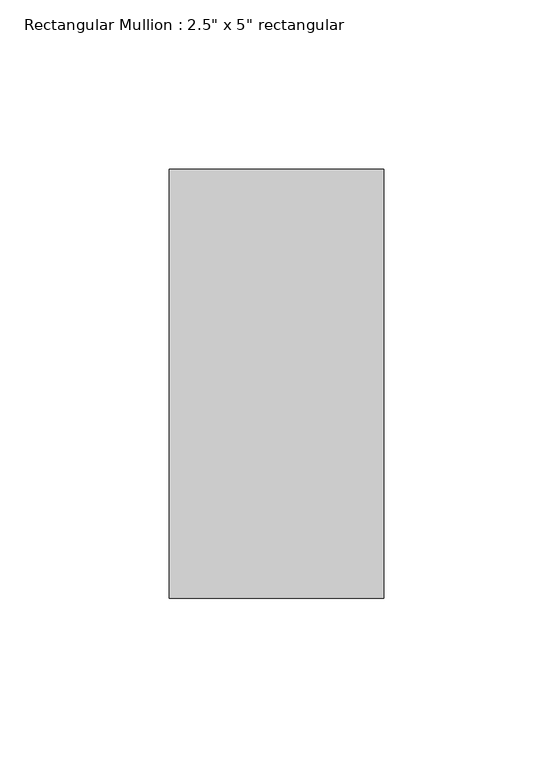
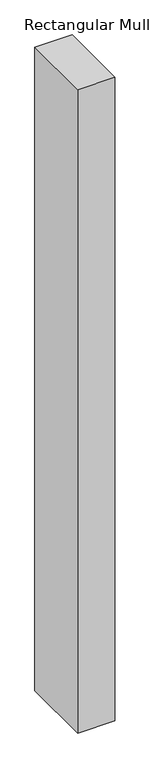
"""IFC4 building model written with IfcOpenShell, lengths in millimetres: member geometry."""

import ifcopenshell
import ifcopenshell.guid

model = None  # the IFC model being written
_history = None  # IfcOwnerHistory: only IFC2X3 demands one
_inside = {}  # id of a spatial element -> (the spatial element, [elements in it])
_under = {}  # id of a project, library or spatial element -> (it, [spatial elements below it])
_declared = {}  # id of a project -> (the project, [libraries it declares])
_typed = {}  # id of a type object -> (the type object, [elements of that type])
_made_of = {}  # id of a material, layer set ... -> (it, [elements and type objects made of it])


def new_model(schema):
    """Start an empty IFC model of exactly this schema.

    Asked for "IFC4X3", IfcOpenShell would pick the latest addendum, in which some entities
    have other attributes; the version numbers below select the first issue.
    IFC2X3 requires an IfcOwnerHistory on every rooted entity: one is made here for all.
    """
    global model, _history
    if schema == "IFC4X3":
        model = ifcopenshell.file(schema_version=(4, 3, 0, 0))
    else:
        model = ifcopenshell.file(schema=schema)
    _inside.clear()
    _under.clear()
    _declared.clear()
    _typed.clear()
    _made_of.clear()
    _history = None
    if model.schema == "IFC2X3":
        org = make("IfcOrganization", Name="unknown")
        user = make(
            "IfcPersonAndOrganization",
            ThePerson=make("IfcPerson", FamilyName="unknown"),
            TheOrganization=org,
        )
        app = make(
            "IfcApplication",
            ApplicationDeveloper=org,
            Version="unknown",
            ApplicationFullName="unknown",
            ApplicationIdentifier="unknown",
        )
        _history = make(
            "IfcOwnerHistory",
            OwningUser=user,
            OwningApplication=app,
            ChangeAction="ADDED",
            CreationDate=0,
        )
    return model


def make(cls, **values):
    """One entity of the class cls with the attributes given. An attribute that is None is left unset."""
    return model.create_entity(
        cls, **{name: value for name, value in values.items() if value is not None}
    )


def rooted(cls, **values):
    """An entity with a GlobalId (a new one), such as an element, a storey or a relation."""
    return make(cls, GlobalId=ifcopenshell.guid.new(), OwnerHistory=_history, **values)


def si_unit(unit_type, name, prefix=None):
    """IfcSIUnit, for example si_unit("LENGTHUNIT", "METRE", prefix="MILLI")."""
    return make("IfcSIUnit", UnitType=unit_type, Prefix=prefix, Name=name)


def assignment(units):
    """IfcUnitAssignment: the units of a project."""
    return None if units is None else make("IfcUnitAssignment", Units=units)


def point(xyz):
    """IfcCartesianPoint."""
    return None if xyz is None else make("IfcCartesianPoint", Coordinates=xyz)


def direction(xyz):
    """IfcDirection."""
    return None if xyz is None else make("IfcDirection", DirectionRatios=xyz)


def frame(location, z_axis=None, x_axis=None):
    """IfcAxis2Placement3D, a coordinate frame: its origin and axes. An axis left out is left unset."""
    return make(
        "IfcAxis2Placement3D",
        Location=point(location),
        Axis=direction(z_axis),
        RefDirection=direction(x_axis),
    )


def origin():
    """The frame at (0, 0, 0) with its axes left unset."""
    return frame((0.0, 0.0, 0.0))


def place(relative_to, where):
    """IfcLocalPlacement: puts the frame where relative to a parent placement (None: the world)."""
    return make(
        "IfcLocalPlacement", PlacementRelTo=relative_to, RelativePlacement=where
    )


def context(
    kind, dimensions, precision=None, world=None, true_north=None, identifier=None
):
    """IfcGeometricRepresentationContext, for example the 3D "Model" context."""
    return make(
        "IfcGeometricRepresentationContext",
        ContextIdentifier=identifier,
        ContextType=kind,
        CoordinateSpaceDimension=dimensions,
        Precision=precision,
        WorldCoordinateSystem=world,
        TrueNorth=true_north,
    )


def project(units=None, contexts=None):
    """IfcProject with its units and contexts."""
    return rooted(
        "IfcProject",
        Name="project",
        RepresentationContexts=contexts,
        UnitsInContext=assignment(units),
    )


def spatial(cls, under=None, at=None, **own):
    """A site, building, storey or space (cls), placed at a placement, below another one or the project."""
    s = rooted(cls, ObjectPlacement=at, **own)
    if under is not None:
        _under.setdefault(under.id(), (under, []))[1].append(s)
    return s


def polyline(points):
    """IfcPolyline through the points."""
    return make("IfcPolyline", Points=[point(p) for p in points])


def outline(outer, holes=None, kind="AREA"):
    """IfcArbitraryClosedProfileDef: a profile drawn as a closed curve; with holes, ...WithVoids."""
    if holes is None:
        return make("IfcArbitraryClosedProfileDef", ProfileType=kind, OuterCurve=outer)
    return make(
        "IfcArbitraryProfileDefWithVoids",
        ProfileType=kind,
        OuterCurve=outer,
        InnerCurves=holes,
    )


def extrude(swept, where, along, depth):
    """IfcExtrudedAreaSolid: the profile swept, set in the frame where, extruded along a direction by depth."""
    return make(
        "IfcExtrudedAreaSolid",
        SweptArea=swept,
        Position=where,
        ExtrudedDirection=direction(along),
        Depth=depth,
    )


def shape(context_of_items, identifier, shape_type, items):
    """IfcShapeRepresentation: the items that make up one representation, for example the "Body"."""
    return make(
        "IfcShapeRepresentation",
        ContextOfItems=context_of_items,
        RepresentationIdentifier=identifier,
        RepresentationType=shape_type,
        Items=items,
    )


def source(mapping_origin, context_of_items, identifier, shape_type, items):
    """IfcRepresentationMap: a shape defined once, which mapped items show again and again."""
    return make(
        "IfcRepresentationMap",
        MappingOrigin=mapping_origin,
        MappedRepresentation=shape(context_of_items, identifier, shape_type, items),
    )


def transform(
    local_origin,
    x_axis=None,
    y_axis=None,
    z_axis=None,
    scale=None,
    scale2=None,
    scale3=None,
    uniform=True,
):
    """IfcCartesianTransformationOperator3D, or its non-uniform kind. x_axis, y_axis, z_axis: its Axis1, 2, 3."""
    if uniform:
        return make(
            "IfcCartesianTransformationOperator3D",
            Axis1=direction(x_axis),
            Axis2=direction(y_axis),
            LocalOrigin=point(local_origin),
            Scale=scale,
            Axis3=direction(z_axis),
        )
    return make(
        "IfcCartesianTransformationOperator3DnonUniform",
        Axis1=direction(x_axis),
        Axis2=direction(y_axis),
        LocalOrigin=point(local_origin),
        Scale=scale,
        Axis3=direction(z_axis),
        Scale2=scale2,
        Scale3=scale3,
    )


def mapped(mapping_source, mapping_target):
    """IfcMappedItem: shows the shape of a source again, moved by a transform."""
    return make(
        "IfcMappedItem", MappingSource=mapping_source, MappingTarget=mapping_target
    )


def made_of(thing, what):
    """Note that an element or type object is made of a material, layer set ...; save() writes the relation."""
    if what is not None:
        _made_of.setdefault(what.id(), (what, []))[1].append(thing)
    return thing


def element(
    cls,
    number,
    at=None,
    inside=None,
    cuts=None,
    type_object=None,
    material=None,
    context=None,
    identifier="Body",
    shape_type=None,
    held_by="IfcProductDefinitionShape",
    body=None,
    shapes=None,
    **own,
):
    """One element of the class cls, such as IfcWall. Its Tag is "e" and its number.

    at: its placement. inside: the storey or other place that contains it. cuts: it is an
    opening in that element (IfcRelVoidsElement). A single representation is given by context,
    identifier, shape_type and body (its items); several are given by shapes. held_by: the class
    of the entity that holds the representations. save() writes the other relations.
    """
    e = rooted(cls, Tag="e%d" % number, ObjectPlacement=at, **own)
    if body is not None:
        shapes = [shape(context, identifier, shape_type, body)]
    if shapes is not None:
        e.Representation = make(held_by, Representations=shapes)
    if inside is not None:
        _inside.setdefault(inside.id(), (inside, []))[1].append(e)
    if cuts is not None:
        rooted(
            "IfcRelVoidsElement", RelatingBuildingElement=cuts, RelatedOpeningElement=e
        )
    if type_object is not None:
        _typed.setdefault(type_object.id(), (type_object, []))[1].append(e)
    return made_of(e, material)


def aggregate(whole, parts):
    """IfcRelAggregates: a whole, such as a stair, and the parts it consists of."""
    return rooted("IfcRelAggregates", RelatingObject=whole, RelatedObjects=parts)


def save(model, path):
    """Write the relations noted so far, then the file.

    IfcRelAggregates (storeys below a building ...), IfcRelContainedInSpatialStructure (elements
    in a storey), IfcRelDefinesByType, IfcRelAssociatesMaterial and IfcRelDeclares: one each for
    every whole, place, type object, material and project.
    """
    for whole, parts in _under.values():
        aggregate(whole, parts)
    for where, things in _inside.values():
        rooted(
            "IfcRelContainedInSpatialStructure",
            RelatedElements=things,
            RelatingStructure=where,
        )
    for kind, things in _typed.values():
        rooted("IfcRelDefinesByType", RelatedObjects=things, RelatingType=kind)
    for what, things in _made_of.values():
        rooted("IfcRelAssociatesMaterial", RelatedObjects=things, RelatingMaterial=what)
    for by, libraries in _declared.values():
        rooted("IfcRelDeclares", RelatingContext=by, RelatedDefinitions=libraries)
    model.write(path)


def member_d33288e9(model_context):
    return source(origin(), model_context, "Body", "SweptSolid", [
        extrude(outline(polyline([(31.75, 63.5), (31.75, -63.5), (-31.75, -63.5), (-31.75, 63.5), (31.75, 63.5)])), frame((0.0, 0.0, -1163.8138889), z_axis=(0.0, 0.0, 1.0), x_axis=(1.0, 0.0, 0.0)), (0.0, 0.0, 1.0), 1163.8138889),
    ])


if __name__ == "__main__":
    model = new_model("IFC4")
    model_context = context("Model", 3, world=origin())
    ifc_project = project(units=[si_unit("LENGTHUNIT", "METRE", prefix="MILLI")], contexts=[model_context])
    site = spatial("IfcSite", under=ifc_project)
    building = spatial("IfcBuilding", under=site)
    placement = place(None, origin())
    member_shape = member_d33288e9(model_context)
    element("IfcMember", 1, ObjectType="Rectangular Mullion : 2.5\" x 5\" rectangular", at=placement, inside=building, context=model_context, shape_type="MappedRepresentation", body=[
        mapped(member_shape, transform((0.0, 0.0, 0.0), x_axis=(1.0, 0.0, 0.0), y_axis=(0.0, 1.0, 0.0), z_axis=(0.0, 0.0, 1.0))),
    ])
    save(model, "model.ifc")
